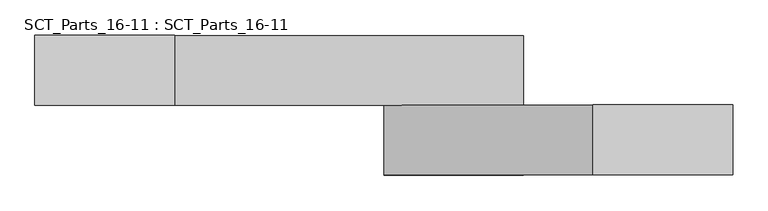
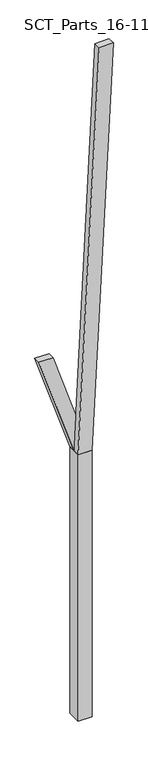
"""IFC4 building model written with IfcOpenShell, lengths in millimetres: proxy geometry, SCT_Parts_16-11 : SCT_Parts_16-11."""

from ifc_helpers import new_model, si_unit, frame, origin, origin_with_axes, place, context, project, spatial, polyline, outline, extrude, source, transform, mapped, element, save


def sct_parts_16_11_sct_parts_16_11_137c4bc5(model_context):
    return source(origin(), model_context, "Body", "SweptSolid", [
        extrude(outline(polyline([(4000.0, 200.0), (10000.0, 500.0), (10000.0, 300.0), (4000.0, 0.0), (4000.0, 200.0)])), frame((0.0, -200.0, 0.0), z_axis=(0.0, 1.0, 0.0), x_axis=(0.0, 0.0, 1.0)), (0.0, 0.0, 1.0), 100.0),
        extrude(outline(polyline([(4000.0, 0.0), (4000.0, 200.0), (5500.0, -300.0), (5500.0, -500.0), (4000.0, 0.0)])), frame((0.0, -100.0, 0.0), z_axis=(0.0, 1.0, 0.0), x_axis=(0.0, 0.0, 1.0)), (0.0, 0.0, 1.0), 100.0),
        extrude(outline(polyline([(200.0, -200.0), (0.0, -200.0), (0.0, 0.0), (200.0, 0.0), (200.0, -200.0)])), origin_with_axes(), (0.0, 0.0, 1.0), 4000.0),
    ])


if __name__ == "__main__":
    model = new_model("IFC4")
    model_context = context("Model", 3, world=origin())
    ifc_project = project(units=[si_unit("LENGTHUNIT", "METRE", prefix="MILLI")], contexts=[model_context])
    site = spatial("IfcSite", under=ifc_project)
    building = spatial("IfcBuilding", under=site)
    placement = place(None, origin())
    sct_parts_16_11_sct_parts_16_11_shape = sct_parts_16_11_sct_parts_16_11_137c4bc5(model_context)
    element("IfcBuildingElementProxy", 1, Name="SCT_Parts_16-11 : SCT_Parts_16-11", ObjectType="SCT_Parts_16-11 : SCT_Parts_16-11", at=placement, inside=building, context=model_context, shape_type="MappedRepresentation", body=[
        mapped(sct_parts_16_11_sct_parts_16_11_shape, transform((0.0, 0.0, 0.0), x_axis=(1.0, 0.0, 0.0), y_axis=(0.0, 1.0, 0.0), z_axis=(0.0, 0.0, 1.0))),
    ])
    save(model, "model.ifc")
